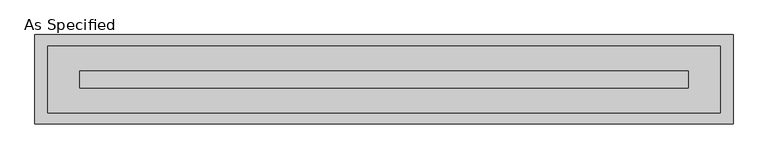
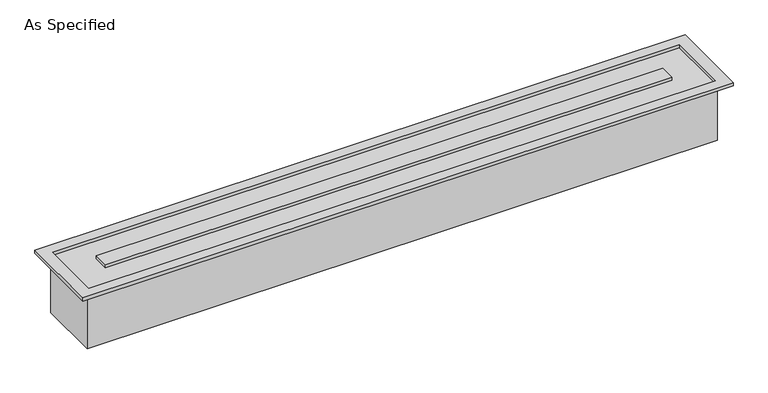
"""IFC4 building model written with IfcOpenShell, lengths in millimetres: proxy geometry, As Specified."""

from ifc_helpers import new_model, si_unit, origin, place, context, project, spatial, faceted_brep, source, transform, mapped, element, save


def as_specified_97d2adf6(model_context):
    return source(origin(), model_context, "Body", "Brep", [
        faceted_brep([(1525.5875, 152.4, -292.1), (1525.5875, -152.4, -292.1), (-1525.5875, -152.4, -292.1), (-1525.5875, 152.4, -292.1), (1517.6499926, -150.812509, 0.0), (1517.6499926, 150.8125043, 0.0), (-1517.6499937, 150.8125043, 0.0), (-1517.6499937, -150.812509, 0.0), (-1371.6000025, 38.0999981, 0.0), (1371.6000013, 38.0999981, 0.0), (1371.6000013, -38.1000028, 0.0), (-1371.6000025, -38.1000028, 0.0), (-1525.5875, 152.4, 0.0), (1525.5875, 152.4, 0.0), (-1525.5875, -152.4, 0.0), (1525.5875, -152.4, 0.0), (1574.8, 201.6125, 15.875), (-1574.8, 201.6125, 15.875), (-1574.8, -201.6125, 15.875), (1574.8, -201.6125, 15.875), (1517.6499926, 150.8125043, 15.875), (1517.6499926, -150.812509, 15.875), (-1517.6499937, -150.812509, 15.875), (-1517.6499937, 150.8125043, 15.875), (1371.6000013, 38.0999981, 15.875), (-1371.6000025, 38.0999981, 15.875), (-1371.6000025, -38.1000028, 15.875), (1371.6000013, -38.1000028, 15.875), (1574.8, 201.6125, 0.0), (1574.8, -201.6125, 0.0), (-1574.8, -201.6125, 0.0), (-1574.8, 201.6125, 0.0)], [[[0, 1, 2, 3]], [[4, 5, 6, 7], [8, 9, 10, 11]], [[0, 3, 12, 13]], [[3, 2, 14, 12]], [[2, 1, 15, 14]], [[1, 0, 13, 15]], [[16, 17, 18, 19], [20, 21, 22, 23]], [[24, 25, 26, 27]], [[28, 29, 30, 31], [13, 12, 14, 15]], [[17, 16, 28, 31]], [[18, 17, 31, 30]], [[19, 18, 30, 29]], [[16, 19, 29, 28]], [[21, 20, 5, 4]], [[22, 21, 4, 7]], [[23, 22, 7, 6]], [[20, 23, 6, 5]], [[25, 24, 9, 8]], [[26, 25, 8, 11]], [[27, 26, 11, 10]], [[24, 27, 10, 9]]]),
    ])


if __name__ == "__main__":
    model = new_model("IFC4")
    model_context = context("Model", 3, world=origin())
    ifc_project = project(units=[si_unit("LENGTHUNIT", "METRE", prefix="MILLI")], contexts=[model_context])
    site = spatial("IfcSite", under=ifc_project)
    building = spatial("IfcBuilding", under=site)
    placement = place(None, origin())
    as_specified_shape = as_specified_97d2adf6(model_context)
    element("IfcBuildingElementProxy", 1, Name="As Specified", ObjectType="As Specified", at=placement, inside=building, context=model_context, shape_type="MappedRepresentation", body=[
        mapped(as_specified_shape, transform((0.0, 0.0, 0.0), x_axis=(1.0, 0.0, 0.0), y_axis=(0.0, 1.0, 0.0), z_axis=(0.0, 0.0, 1.0))),
    ])
    save(model, "model.ifc")
